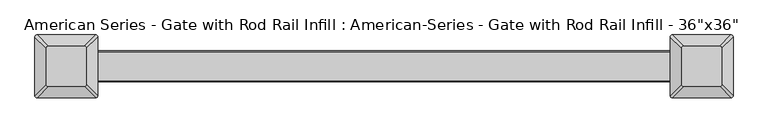
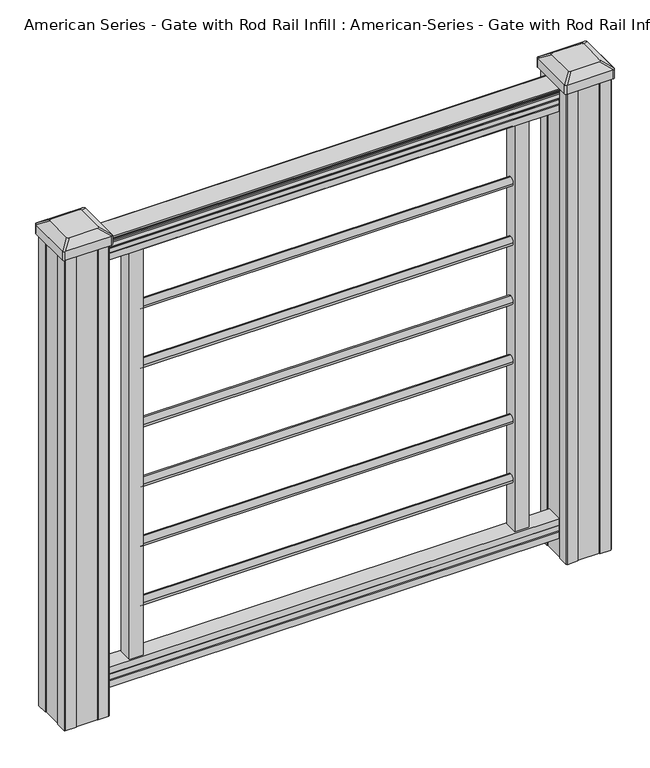
"""IFC4 building model written with IfcOpenShell, lengths in millimetres: proxy geometry."""

from ifc_helpers import new_model, si_unit, point, frame, frame_2d, origin, place, context, project, spatial, polyline, circle_curve, trimmed, segment, composite_curve, outline, extrude, source, transform, mapped, element, save
from ifc_brep_helpers import plane_surface, extruded_surface, advanced_brep


def proxy_55d096d3(model_context):
    return source(origin(), model_context, "Body", "SolidModel", [
        extrude(outline(composite_curve([segment(trimmed(circle_curve(frame_2d((0.0, 883.7888781)), 8.001), [point((8.001, 883.7888781))], [point((0.0, 875.7878781))], False, "CARTESIAN"), True, "CONTINUOUS"), segment(trimmed(circle_curve(frame_2d((0.0, 883.7888781)), 8.001), [point((0.0, 875.7878781))], [point((-8.001, 883.7888781))], False, "CARTESIAN"), True, "CONTINUOUS"), segment(trimmed(circle_curve(frame_2d((0.0, 883.7888781)), 8.001), [point((-8.001, 883.7888781))], [point((0.0, 891.7898781))], False, "CARTESIAN"), True, "CONTINUOUS"), segment(trimmed(circle_curve(frame_2d((0.0, 883.7888781)), 8.001), [point((0.0, 891.7898781))], [point((8.001, 883.7888781))], False, "CARTESIAN"), True, "CONTINUOUS")], self_intersect=False)), frame((-338.328, 0.0, 0.0), z_axis=(1.0, 0.0, 0.0), x_axis=(0.0, 1.0, 0.0)), (0.0, 0.0, 1.0), 676.656),
        extrude(outline(composite_curve([segment(trimmed(circle_curve(frame_2d((0.0, 769.4888781)), 8.001), [point((8.001, 769.4888781))], [point((0.0, 761.4878781))], False, "CARTESIAN"), True, "CONTINUOUS"), segment(trimmed(circle_curve(frame_2d((0.0, 769.4888781)), 8.001), [point((0.0, 761.4878781))], [point((-8.001, 769.4888781))], False, "CARTESIAN"), True, "CONTINUOUS"), segment(trimmed(circle_curve(frame_2d((0.0, 769.4888781)), 8.001), [point((-8.001, 769.4888781))], [point((0.0, 777.4898781))], False, "CARTESIAN"), True, "CONTINUOUS"), segment(trimmed(circle_curve(frame_2d((0.0, 769.4888781)), 8.001), [point((0.0, 777.4898781))], [point((8.001, 769.4888781))], False, "CARTESIAN"), True, "CONTINUOUS")], self_intersect=False)), frame((-338.328, 0.0, 0.0), z_axis=(1.0, 0.0, 0.0), x_axis=(0.0, 1.0, 0.0)), (0.0, 0.0, 1.0), 676.656),
        extrude(outline(composite_curve([segment(trimmed(circle_curve(frame_2d((0.0, 655.1888781)), 8.001), [point((8.001, 655.1888781))], [point((0.0, 647.1878781))], False, "CARTESIAN"), True, "CONTINUOUS"), segment(trimmed(circle_curve(frame_2d((0.0, 655.1888781)), 8.001), [point((0.0, 647.1878781))], [point((-8.001, 655.1888781))], False, "CARTESIAN"), True, "CONTINUOUS"), segment(trimmed(circle_curve(frame_2d((0.0, 655.1888781)), 8.001), [point((-8.001, 655.1888781))], [point((0.0, 663.1898781))], False, "CARTESIAN"), True, "CONTINUOUS"), segment(trimmed(circle_curve(frame_2d((0.0, 655.1888781)), 8.001), [point((0.0, 663.1898781))], [point((8.001, 655.1888781))], False, "CARTESIAN"), True, "CONTINUOUS")], self_intersect=False)), frame((-338.328, 0.0, 0.0), z_axis=(1.0, 0.0, 0.0), x_axis=(0.0, 1.0, 0.0)), (0.0, 0.0, 1.0), 676.656),
        extrude(outline(composite_curve([segment(trimmed(circle_curve(frame_2d((0.0, 540.8888781)), 8.001), [point((8.001, 540.8888781))], [point((0.0, 532.8878781))], False, "CARTESIAN"), True, "CONTINUOUS"), segment(trimmed(circle_curve(frame_2d((0.0, 540.8888781)), 8.001), [point((0.0, 532.8878781))], [point((-8.001, 540.8888781))], False, "CARTESIAN"), True, "CONTINUOUS"), segment(trimmed(circle_curve(frame_2d((0.0, 540.8888781)), 8.001), [point((-8.001, 540.8888781))], [point((0.0, 548.8898781))], False, "CARTESIAN"), True, "CONTINUOUS"), segment(trimmed(circle_curve(frame_2d((0.0, 540.8888781)), 8.001), [point((0.0, 548.8898781))], [point((8.001, 540.8888781))], False, "CARTESIAN"), True, "CONTINUOUS")], self_intersect=False)), frame((-338.328, 0.0, 0.0), z_axis=(1.0, 0.0, 0.0), x_axis=(0.0, 1.0, 0.0)), (0.0, 0.0, 1.0), 676.656),
        extrude(outline(composite_curve([segment(trimmed(circle_curve(frame_2d((0.0, 426.5888781)), 8.001), [point((8.001, 426.5888781))], [point((0.0, 418.5878781))], False, "CARTESIAN"), True, "CONTINUOUS"), segment(trimmed(circle_curve(frame_2d((0.0, 426.5888781)), 8.001), [point((0.0, 418.5878781))], [point((-8.001, 426.5888781))], False, "CARTESIAN"), True, "CONTINUOUS"), segment(trimmed(circle_curve(frame_2d((0.0, 426.5888781)), 8.001), [point((-8.001, 426.5888781))], [point((0.0, 434.5898781))], False, "CARTESIAN"), True, "CONTINUOUS"), segment(trimmed(circle_curve(frame_2d((0.0, 426.5888781)), 8.001), [point((0.0, 434.5898781))], [point((8.001, 426.5888781))], False, "CARTESIAN"), True, "CONTINUOUS")], self_intersect=False)), frame((-338.328, 0.0, 0.0), z_axis=(1.0, 0.0, 0.0), x_axis=(0.0, 1.0, 0.0)), (0.0, 0.0, 1.0), 676.656),
        extrude(outline(composite_curve([segment(trimmed(circle_curve(frame_2d((0.0, 312.2888781)), 8.001), [point((8.001, 312.2888781))], [point((0.0, 304.2878781))], False, "CARTESIAN"), True, "CONTINUOUS"), segment(trimmed(circle_curve(frame_2d((0.0, 312.2888781)), 8.001), [point((0.0, 304.2878781))], [point((-8.001, 312.2888781))], False, "CARTESIAN"), True, "CONTINUOUS"), segment(trimmed(circle_curve(frame_2d((0.0, 312.2888781)), 8.001), [point((-8.001, 312.2888781))], [point((0.0, 320.2898781))], False, "CARTESIAN"), True, "CONTINUOUS"), segment(trimmed(circle_curve(frame_2d((0.0, 312.2888781)), 8.001), [point((0.0, 320.2898781))], [point((8.001, 312.2888781))], False, "CARTESIAN"), True, "CONTINUOUS")], self_intersect=False)), frame((-338.328, 0.0, 0.0), z_axis=(1.0, 0.0, 0.0), x_axis=(0.0, 1.0, 0.0)), (0.0, 0.0, 1.0), 676.656),
        extrude(outline(polyline([(-15.9124869, 76.0541976), (-14.8964869, 77.3546183), (-14.8964869, 87.7141717), (-15.9124869, 89.0624492), (-15.9124869, 101.5958781), (15.8375131, 101.5958781), (15.8375131, 89.0458024), (14.8215131, 87.6975248), (14.8215131, 77.3858283), (15.8375131, 76.0375508), (15.8375131, 63.5), (-15.9124869, 63.5), (-15.9124869, 76.0541976)])), frame((-417.576, 0.0, 0.0), z_axis=(1.0, 0.0, 0.0), x_axis=(0.0, 1.0, 0.0)), (0.0, 0.0, 1.0), 835.152),
        extrude(outline(composite_curve([segment(polyline([(910.082, 17.4328287), (911.9700823, 17.4328287)]), True, "CONTINUOUS"), segment(trimmed(circle_curve(frame_2d((917.7283086, 11.1180755)), 8.545951), [point((911.9700823, 17.4328287))], [point((913.5323398, 18.563015))], False, "CARTESIAN"), True, "CONTINUOUS"), segment(trimmed(circle_curve(frame_2d((917.141328, 11.5551384)), 7.882584), [point((913.5323398, 18.563015))], [point((920.7503161, 18.563015))], False, "CARTESIAN"), True, "CONTINUOUS"), segment(trimmed(circle_curve(frame_2d((922.988923, 22.0684625)), 4.1592695), [point((920.7503161, 18.563015))], [point((923.1837515, 17.9137586))], True, "CARTESIAN"), True, "CONTINUOUS"), segment(trimmed(circle_curve(frame_2d((922.9285567, 23.3557691)), 5.4479907), [point((923.1837515, 17.9137586))], [point((927.5138786, 20.4137586))], True, "CARTESIAN"), True, "CONTINUOUS"), segment(trimmed(circle_curve(frame_2d((927.5110653, 22.1226107)), 1.7088543), [point((927.5138786, 20.4137586))], [point((929.1934675, 21.8231011))], True, "CARTESIAN"), True, "CONTINUOUS"), segment(trimmed(circle_curve(frame_2d((930.2982021, 20.5057106)), 1.7192895), [point((929.1934675, 21.8231011))], [point((930.2982021, 22.2250001))], False, "CARTESIAN"), True, "CONTINUOUS"), segment(polyline([(930.2982021, 22.2250001), (931.6384861, 22.225)]), True, "CONTINUOUS"), segment(trimmed(circle_curve(frame_2d((931.6384861, 20.6715528)), 1.5534472), [point((931.6384861, 22.225))], [point((933.1919333, 20.6715528))], False, "CARTESIAN"), True, "CONTINUOUS"), segment(polyline([(933.1919333, 20.6715528), (933.1919333, -20.6715528)]), True, "CONTINUOUS"), segment(trimmed(circle_curve(frame_2d((931.6384861, -20.6715528)), 1.5534472), [point((933.1919333, -20.6715528))], [point((931.6384861, -22.225))], False, "CARTESIAN"), True, "CONTINUOUS"), segment(polyline([(931.6384861, -22.225), (930.2982021, -22.225)]), True, "CONTINUOUS"), segment(trimmed(circle_curve(frame_2d((930.2982021, -20.5057106)), 1.7192895), [point((930.2982021, -22.225))], [point((929.1934675, -21.8231011))], False, "CARTESIAN"), True, "CONTINUOUS"), segment(trimmed(circle_curve(frame_2d((927.5110653, -22.1226107)), 1.7088543), [point((929.1934675, -21.8231011))], [point((927.5138786, -20.4137586))], True, "CARTESIAN"), True, "CONTINUOUS"), segment(trimmed(circle_curve(frame_2d((922.9285567, -23.3557691)), 5.4479907), [point((927.5138786, -20.4137586))], [point((923.1837515, -17.9137586))], True, "CARTESIAN"), True, "CONTINUOUS"), segment(trimmed(circle_curve(frame_2d((922.988923, -22.0684625)), 4.1592695), [point((923.1837515, -17.9137586))], [point((920.7503161, -18.563015))], True, "CARTESIAN"), True, "CONTINUOUS"), segment(trimmed(circle_curve(frame_2d((917.141328, -11.5551384)), 7.882584), [point((920.7503161, -18.563015))], [point((913.5323398, -18.563015))], False, "CARTESIAN"), True, "CONTINUOUS"), segment(trimmed(circle_curve(frame_2d((917.7283086, -11.1180755)), 8.545951), [point((913.5323398, -18.563015))], [point((911.9700823, -17.4328287))], False, "CARTESIAN"), True, "CONTINUOUS"), segment(polyline([(911.9700823, -17.4328287), (910.082, -17.4328287)]), True, "CONTINUOUS"), segment(trimmed(circle_curve(frame_2d((910.082, -16.1459144)), 1.2869144), [point((910.082, -17.4328287))], [point((910.082, -14.859))], False, "CARTESIAN"), True, "CONTINUOUS"), segment(polyline([(910.082, -14.859), (899.5824987, -14.859), (898.5664987, -15.875), (886.0776703, -15.875), (886.0776703, 15.875), (898.4086833, 15.875), (899.4246833, 14.859), (910.082, 14.859)]), True, "CONTINUOUS"), segment(trimmed(circle_curve(frame_2d((910.082, 16.1459144)), 1.2869144), [point((910.082, 14.859))], [point((910.082, 17.4328287))], False, "CARTESIAN"), True, "CONTINUOUS")], self_intersect=False)), frame((417.576, 0.0, 0.0), z_axis=(-1.0, 0.0, 0.0), x_axis=(0.0, 0.0, 1.0)), (0.0, 0.0, 1.0), 835.152),
        extrude(outline(composite_curve([segment(trimmed(circle_curve(frame_2d((0.0, 197.9888781)), 8.001), [point((8.001, 197.9888781))], [point((0.0, 189.9878781))], False, "CARTESIAN"), True, "CONTINUOUS"), segment(trimmed(circle_curve(frame_2d((0.0, 197.9888781)), 8.001), [point((0.0, 189.9878781))], [point((-8.001, 197.9888781))], False, "CARTESIAN"), True, "CONTINUOUS"), segment(trimmed(circle_curve(frame_2d((0.0, 197.9888781)), 8.001), [point((-8.001, 197.9888781))], [point((0.0, 205.9898781))], False, "CARTESIAN"), True, "CONTINUOUS"), segment(trimmed(circle_curve(frame_2d((0.0, 197.9888781)), 8.001), [point((0.0, 205.9898781))], [point((8.001, 197.9888781))], False, "CARTESIAN"), True, "CONTINUOUS")], self_intersect=False)), frame((-338.328, 0.0, 0.0), z_axis=(1.0, 0.0, 0.0), x_axis=(0.0, 1.0, 0.0)), (0.0, 0.0, 1.0), 676.656),
        advanced_brep(
        [(431.403125, 28.971875, 965.835), (428.228125, 25.796875, 965.835), (428.228125, -25.796875, 965.835), (431.403125, -28.971875, 965.835), (482.996875, -28.971875, 965.835), (486.171875, -25.796875, 965.835), (486.171875, 25.796875, 965.835), (482.996875, 28.971875, 965.835), (415.13125, 45.24375, 954.532), (499.26875, 45.24375, 954.532), (502.44375, 42.06875, 954.532), (502.44375, -42.06875, 954.532), (499.26875, -45.24375, 954.532), (415.13125, -45.24375, 954.532), (411.95625, -42.06875, 954.532), (411.95625, 42.06875, 954.532)],
        [
            (0, 1, circle_curve(frame((431.403125, 25.796875, 965.835), z_axis=(0.0, 0.0, 1.0), x_axis=(0.0, -1.0, 0.0)), 3.175)),
            (1, 2),
            (2, 3, circle_curve(frame((431.403125, -25.796875, 965.835), z_axis=(0.0, 0.0, 1.0), x_axis=(0.0, -1.0, 0.0)), 3.175)),
            (3, 4),
            (4, 5, circle_curve(frame((482.996875, -25.796875, 965.835), z_axis=(0.0, 0.0, 1.0), x_axis=(0.0, -1.0, 0.0)), 3.175)),
            (5, 6),
            (6, 7, circle_curve(frame((482.996875, 25.796875, 965.835), z_axis=(0.0, 0.0, 1.0), x_axis=(0.0, -1.0, 0.0)), 3.175)),
            (7, 0),
            (8, 9),
            (9, 10, circle_curve(frame((499.26875, 42.06875, 954.532), z_axis=(0.0, 0.0, -1.0), x_axis=(0.0, -1.0, 0.0)), 3.175)),
            (10, 11),
            (11, 12, circle_curve(frame((499.26875, -42.06875, 954.532), z_axis=(0.0, 0.0, -1.0), x_axis=(0.0, -1.0, 0.0)), 3.175)),
            (12, 13),
            (13, 14, circle_curve(frame((415.13125, -42.06875, 954.532), z_axis=(0.0, 0.0, -1.0), x_axis=(0.0, -1.0, 0.0)), 3.175)),
            (14, 15),
            (15, 8, circle_curve(frame((415.13125, 42.06875, 954.532), z_axis=(0.0, 0.0, -1.0), x_axis=(0.0, -1.0, 0.0)), 3.175)),
            (15, 1),
            (0, 8),
            (14, 2),
            (13, 3),
            (12, 4),
            (11, 5),
            (10, 6),
            (9, 7),
        ],
        [
            plane_surface(frame((457.2, 0.0, 965.835), z_axis=(0.0, 0.0, 1.0), x_axis=(-1.0, 0.0, 0.0))),
            plane_surface(frame((457.2, 0.0, 954.532), z_axis=(0.0, 0.0, -1.0), x_axis=(-1.0, 0.0, 0.0))),
            extruded_surface(trimmed(circle_curve(frame((415.13125, 42.06875, 954.532), z_axis=(0.0, 0.0, 1.0), x_axis=(0.0, -1.0, 0.0)), 3.175), [point((415.13125, 45.24375, 954.532))], [point((411.95625, 42.06875, 954.532))], True, "CARTESIAN"), (16.271874999999966, -16.271875, 11.302999999999997), 25.63797263886614),
            plane_surface(frame((411.95625, 0.0, 954.532), z_axis=(-0.5705009161540778, 0.0, 0.8212969649690408), x_axis=(0.0, -1.0, 0.0))),
            extruded_surface(trimmed(circle_curve(frame((415.13125, -42.06875, 954.532), z_axis=(0.0, 0.0, 1.0), x_axis=(0.0, -1.0, 0.0)), 3.175), [point((411.95625, -42.06875, 954.532))], [point((415.13125, -45.24375, 954.532))], True, "CARTESIAN"), (16.271874999999966, 16.271875, 11.302999999999997), 25.63797263886614),
            plane_surface(frame((457.2, -45.24375, 954.532), z_axis=(0.0, -0.5705009161540291, 0.8212969649690747), x_axis=(1.0, 0.0, 0.0))),
            extruded_surface(trimmed(circle_curve(frame((499.26875, -42.06875, 954.532), z_axis=(0.0, 0.0, 1.0), x_axis=(0.0, -1.0, 0.0)), 3.175), [point((499.26875, -45.24375, 954.532))], [point((502.44375, -42.06875, 954.532))], True, "CARTESIAN"), (-16.271875000000023, 16.271875, 11.302999999999997), 25.637972638866177),
            plane_surface(frame((502.44375, 0.0, 954.532), z_axis=(0.5705009161540142, 0.0, 0.8212969649690851), x_axis=(0.0, 1.0, 0.0))),
            extruded_surface(trimmed(circle_curve(frame((499.26875, 42.06875, 954.532), z_axis=(0.0, 0.0, 1.0), x_axis=(0.0, -1.0, 0.0)), 3.175), [point((502.44375, 42.06875, 954.532))], [point((499.26875, 45.24375, 954.532))], True, "CARTESIAN"), (-16.271875000000023, -16.271875, 11.302999999999997), 25.637972638866177),
            plane_surface(frame((457.2, 45.24375, 954.532), z_axis=(0.0, 0.570500916154034, 0.8212969649690713), x_axis=(-1.0, 0.0, 0.0))),
        ],
        [
            (0, [[1, 2, 3, 4, 5, 6, 7, 8]]),
            (1, [[9, 10, 11, 12, 13, 14, 15, 16]]),
            (2, [[-16, 17, -1, 18]]),
            (3, [[-15, 19, -2, -17]]),
            (4, [[-14, 20, -3, -19]]),
            (5, [[-13, 21, -4, -20]]),
            (6, [[-12, 22, -5, -21]]),
            (7, [[-11, 23, -6, -22]]),
            (8, [[-10, 24, -7, -23]]),
            (9, [[-9, -18, -8, -24]]),
        ],
    ),
        extrude(outline(composite_curve([segment(polyline([(415.13125, 45.24375), (499.26875, 45.24375)]), True, "CONTINUOUS"), segment(trimmed(circle_curve(frame_2d((499.26875, 42.06875)), 3.175), [point((499.26875, 45.24375))], [point((502.44375, 42.06875))], False, "CARTESIAN"), True, "CONTINUOUS"), segment(polyline([(502.44375, 42.06875), (502.44375, -42.06875)]), True, "CONTINUOUS"), segment(trimmed(circle_curve(frame_2d((499.26875, -42.06875)), 3.175), [point((502.44375, -42.06875))], [point((499.26875, -45.24375))], False, "CARTESIAN"), True, "CONTINUOUS"), segment(polyline([(499.26875, -45.24375), (415.13125, -45.24375)]), True, "CONTINUOUS"), segment(trimmed(circle_curve(frame_2d((415.13125, -42.06875)), 3.175), [point((415.13125, -45.24375))], [point((411.95625, -42.06875))], False, "CARTESIAN"), True, "CONTINUOUS"), segment(polyline([(411.95625, -42.06875), (411.95625, 42.06875)]), True, "CONTINUOUS"), segment(trimmed(circle_curve(frame_2d((415.13125, 42.06875)), 3.175), [point((411.95625, 42.06875))], [point((415.13125, 45.24375))], False, "CARTESIAN"), True, "CONTINUOUS")], self_intersect=False)), frame((0.0, 0.0, 937.26), z_axis=(0.0, 0.0, 1.0), x_axis=(1.0, 0.0, 0.0)), (0.0, 0.0, 1.0), 17.272),
        extrude(outline(polyline([(417.5125, 41.275), (437.134, 41.275), (437.896, 39.6875), (476.504, 39.6875), (477.266, 41.275), (496.8875, 41.275), (498.475, 39.6875), (498.475, 20.066), (496.8875, 19.304), (496.8875, -19.304), (498.475, -20.066), (498.475, -39.6875), (496.8875, -41.275), (477.266, -41.275), (476.504, -39.6875), (437.896, -39.6875), (437.134, -41.275), (417.5125, -41.275), (415.925, -39.6875), (415.925, -20.066), (417.5125, -19.304), (417.5125, 19.304), (415.925, 20.066), (415.925, 39.6875), (417.5125, 41.275)])), frame((0.0, 0.0, 28.575), z_axis=(0.0, 0.0, 1.0), x_axis=(1.0, 0.0, 0.0)), (0.0, 0.0, 1.0), 908.685),
        advanced_brep(
        [(-482.996875, 28.971875, 965.835), (-486.171875, 25.796875, 965.835), (-486.171875, -25.796875, 965.835), (-482.996875, -28.971875, 965.835), (-431.403125, -28.971875, 965.835), (-428.228125, -25.796875, 965.835), (-428.228125, 25.796875, 965.835), (-431.403125, 28.971875, 965.835), (-499.26875, 45.24375, 954.532), (-415.13125, 45.24375, 954.532), (-411.95625, 42.06875, 954.532), (-411.95625, -42.06875, 954.532), (-415.13125, -45.24375, 954.532), (-499.26875, -45.24375, 954.532), (-502.44375, -42.06875, 954.532), (-502.44375, 42.06875, 954.532)],
        [
            (0, 1, circle_curve(frame((-482.996875, 25.796875, 965.835), z_axis=(0.0, 0.0, 1.0), x_axis=(0.0, -1.0, 0.0)), 3.175)),
            (1, 2),
            (2, 3, circle_curve(frame((-482.996875, -25.796875, 965.835), z_axis=(0.0, 0.0, 1.0), x_axis=(0.0, -1.0, 0.0)), 3.175)),
            (3, 4),
            (4, 5, circle_curve(frame((-431.403125, -25.796875, 965.835), z_axis=(0.0, 0.0, 1.0), x_axis=(0.0, -1.0, 0.0)), 3.175)),
            (5, 6),
            (6, 7, circle_curve(frame((-431.403125, 25.796875, 965.835), z_axis=(0.0, 0.0, 1.0), x_axis=(0.0, -1.0, 0.0)), 3.175)),
            (7, 0),
            (8, 9),
            (9, 10, circle_curve(frame((-415.13125, 42.06875, 954.532), z_axis=(0.0, 0.0, -1.0), x_axis=(0.0, -1.0, 0.0)), 3.175)),
            (10, 11),
            (11, 12, circle_curve(frame((-415.13125, -42.06875, 954.532), z_axis=(0.0, 0.0, -1.0), x_axis=(0.0, -1.0, 0.0)), 3.175)),
            (12, 13),
            (13, 14, circle_curve(frame((-499.26875, -42.06875, 954.532), z_axis=(0.0, 0.0, -1.0), x_axis=(0.0, -1.0, 0.0)), 3.175)),
            (14, 15),
            (15, 8, circle_curve(frame((-499.26875, 42.06875, 954.532), z_axis=(0.0, 0.0, -1.0), x_axis=(0.0, -1.0, 0.0)), 3.175)),
            (15, 1),
            (0, 8),
            (14, 2),
            (13, 3),
            (12, 4),
            (11, 5),
            (10, 6),
            (9, 7),
        ],
        [
            plane_surface(frame((-457.2, 0.0, 965.835), z_axis=(0.0, 0.0, 1.0), x_axis=(-1.0, 0.0, 0.0))),
            plane_surface(frame((-457.2, 0.0, 954.532), z_axis=(0.0, 0.0, -1.0), x_axis=(-1.0, 0.0, 0.0))),
            extruded_surface(trimmed(circle_curve(frame((-499.26875, 42.06875, 954.532), z_axis=(0.0, 0.0, 1.0), x_axis=(0.0, -1.0, 0.0)), 3.175), [point((-499.26875, 45.24375, 954.532))], [point((-502.44375, 42.06875, 954.532))], True, "CARTESIAN"), (16.271875000000023, -16.271875, 11.302999999999997), 25.637972638866177),
            plane_surface(frame((-502.44375, 0.0, 954.532), z_axis=(-0.5705009161540778, 0.0, 0.8212969649690408), x_axis=(0.0, -1.0, 0.0))),
            extruded_surface(trimmed(circle_curve(frame((-499.26875, -42.06875, 954.532), z_axis=(0.0, 0.0, 1.0), x_axis=(0.0, -1.0, 0.0)), 3.175), [point((-502.44375, -42.06875, 954.532))], [point((-499.26875, -45.24375, 954.532))], True, "CARTESIAN"), (16.271875000000023, 16.271875, 11.302999999999997), 25.637972638866177),
            plane_surface(frame((-457.2, -45.24375, 954.532), z_axis=(0.0, -0.5705009161540291, 0.8212969649690747), x_axis=(1.0, 0.0, 0.0))),
            extruded_surface(trimmed(circle_curve(frame((-415.13125, -42.06875, 954.532), z_axis=(0.0, 0.0, 1.0), x_axis=(0.0, -1.0, 0.0)), 3.175), [point((-415.13125, -45.24375, 954.532))], [point((-411.95625, -42.06875, 954.532))], True, "CARTESIAN"), (-16.271874999999966, 16.271875, 11.302999999999997), 25.63797263886614),
            plane_surface(frame((-411.95625, 0.0, 954.532), z_axis=(0.5705009161540142, 0.0, 0.8212969649690851), x_axis=(0.0, 1.0, 0.0))),
            extruded_surface(trimmed(circle_curve(frame((-415.13125, 42.06875, 954.532), z_axis=(0.0, 0.0, 1.0), x_axis=(0.0, -1.0, 0.0)), 3.175), [point((-411.95625, 42.06875, 954.532))], [point((-415.13125, 45.24375, 954.532))], True, "CARTESIAN"), (-16.271874999999966, -16.271875, 11.302999999999997), 25.63797263886614),
            plane_surface(frame((-457.2, 45.24375, 954.532), z_axis=(0.0, 0.570500916154034, 0.8212969649690713), x_axis=(-1.0, 0.0, 0.0))),
        ],
        [
            (0, [[1, 2, 3, 4, 5, 6, 7, 8]]),
            (1, [[9, 10, 11, 12, 13, 14, 15, 16]]),
            (2, [[-16, 17, -1, 18]]),
            (3, [[-15, 19, -2, -17]]),
            (4, [[-14, 20, -3, -19]]),
            (5, [[-13, 21, -4, -20]]),
            (6, [[-12, 22, -5, -21]]),
            (7, [[-11, 23, -6, -22]]),
            (8, [[-10, 24, -7, -23]]),
            (9, [[-9, -18, -8, -24]]),
        ],
    ),
        extrude(outline(composite_curve([segment(polyline([(-499.26875, 45.24375), (-415.13125, 45.24375)]), True, "CONTINUOUS"), segment(trimmed(circle_curve(frame_2d((-415.13125, 42.06875)), 3.175), [point((-415.13125, 45.24375))], [point((-411.95625, 42.06875))], False, "CARTESIAN"), True, "CONTINUOUS"), segment(polyline([(-411.95625, 42.06875), (-411.95625, -42.06875)]), True, "CONTINUOUS"), segment(trimmed(circle_curve(frame_2d((-415.13125, -42.06875)), 3.175), [point((-411.95625, -42.06875))], [point((-415.13125, -45.24375))], False, "CARTESIAN"), True, "CONTINUOUS"), segment(polyline([(-415.13125, -45.24375), (-499.26875, -45.24375)]), True, "CONTINUOUS"), segment(trimmed(circle_curve(frame_2d((-499.26875, -42.06875)), 3.175), [point((-499.26875, -45.24375))], [point((-502.44375, -42.06875))], False, "CARTESIAN"), True, "CONTINUOUS"), segment(polyline([(-502.44375, -42.06875), (-502.44375, 42.06875)]), True, "CONTINUOUS"), segment(trimmed(circle_curve(frame_2d((-499.26875, 42.06875)), 3.175), [point((-502.44375, 42.06875))], [point((-499.26875, 45.24375))], False, "CARTESIAN"), True, "CONTINUOUS")], self_intersect=False)), frame((0.0, 0.0, 937.26), z_axis=(0.0, 0.0, 1.0), x_axis=(1.0, 0.0, 0.0)), (0.0, 0.0, 1.0), 17.272),
        extrude(outline(polyline([(-496.8875, 41.275), (-477.266, 41.275), (-476.504, 39.6875), (-437.896, 39.6875), (-437.134, 41.275), (-417.5125, 41.275), (-415.925, 39.6875), (-415.925, 20.066), (-417.5125, 19.304), (-417.5125, -19.304), (-415.925, -20.066), (-415.925, -39.6875), (-417.5125, -41.275), (-437.134, -41.275), (-437.896, -39.6875), (-476.504, -39.6875), (-477.266, -41.275), (-496.8875, -41.275), (-498.475, -39.6875), (-498.475, -20.066), (-496.8875, -19.304), (-496.8875, 19.304), (-498.475, 20.066), (-498.475, 39.6875), (-496.8875, 41.275)])), frame((0.0, 0.0, 28.575), z_axis=(0.0, 0.0, 1.0), x_axis=(1.0, 0.0, 0.0)), (0.0, 0.0, 1.0), 908.685),
        extrude(outline(polyline([(363.728, -12.7), (338.328, -12.7), (338.328, 12.7), (363.728, 12.7), (363.728, -12.7)])), frame((0.0, 0.0, 101.6), z_axis=(0.0, 0.0, 1.0), x_axis=(1.0, 0.0, 0.0)), (0.0, 0.0, 1.0), 797.6700823),
        extrude(outline(polyline([(-338.328, -12.7), (-363.728, -12.7), (-363.728, 12.7), (-338.328, 12.7), (-338.328, -12.7)])), frame((0.0, 0.0, 101.6), z_axis=(0.0, 0.0, 1.0), x_axis=(1.0, 0.0, 0.0)), (0.0, 0.0, 1.0), 811.9323398),
    ])


if __name__ == "__main__":
    model = new_model("IFC4")
    model_context = context("Model", 3, world=origin())
    ifc_project = project(units=[si_unit("LENGTHUNIT", "METRE", prefix="MILLI")], contexts=[model_context])
    site = spatial("IfcSite", under=ifc_project)
    building = spatial("IfcBuilding", under=site)
    placement = place(None, origin())
    proxy_shape = proxy_55d096d3(model_context)
    element("IfcBuildingElementProxy", 1, Name="American Series - Gate with Rod Rail Infill : American-Series - Gate with Rod Rail Infill - 36\"x36\"", ObjectType="American Series - Gate with Rod Rail Infill : American-Series - Gate with Rod Rail Infill - 36\"x36\"", at=placement, inside=building, context=model_context, shape_type="MappedRepresentation", body=[
        mapped(proxy_shape, transform((0.0, 0.0, 0.0), x_axis=(1.0, 0.0, 0.0), y_axis=(0.0, 1.0, 0.0), z_axis=(0.0, 0.0, 1.0))),
    ])
    save(model, "model.ifc")
